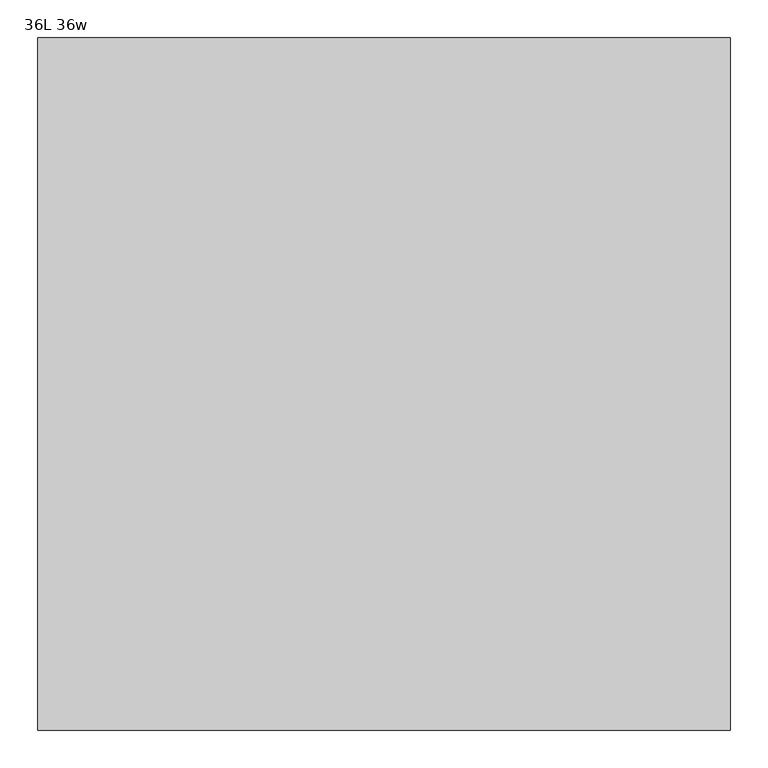
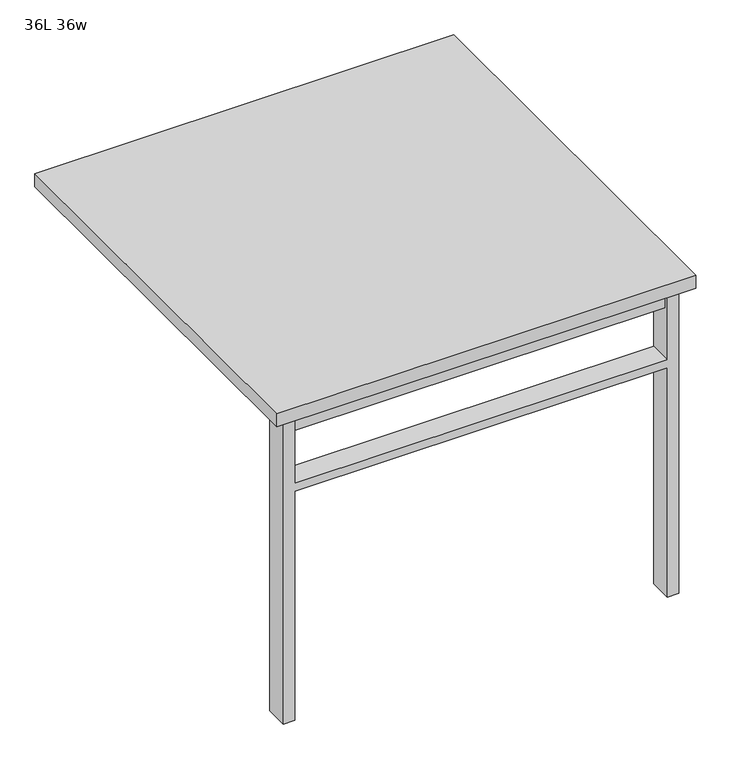
"""IFC4 building model written with IfcOpenShell, lengths in millimetres: furniture geometry, 36L 36w."""

from ifc_helpers import new_model, si_unit, frame, origin, place, context, project, spatial, polyline, outline, extrude, source, transform, mapped, element, save


def furniture_36l_36w_5a3484d5(model_context):
    return source(origin(), model_context, "Body", "SweptSolid", [
        extrude(outline(polyline([(-406.4, -396.875), (406.4, -396.875), (406.4, -428.625), (-406.4, -428.625), (-406.4, -396.875)])), frame((0.0, 0.0, 661.9875), z_axis=(0.0, 0.0, 1.0), x_axis=(1.0, 0.0, 0.0)), (0.0, 0.0, 1.0), 44.45),
        extrude(outline(polyline([(528.6375, 406.4), (0.0, 406.4), (0.0, 431.8), (706.4375, 431.8), (706.4375, 406.4), (547.6875, 406.4), (547.6875, -406.4), (706.4375, -406.4), (706.4375, -431.8), (0.0, -431.8), (0.0, -406.4), (528.6375, -406.4), (528.6375, 406.4)])), frame((0.0, -438.15, 0.0), z_axis=(0.0, 1.0, 0.0), x_axis=(0.0, 0.0, 1.0)), (0.0, 0.0, 1.0), 50.8),
        extrude(outline(polyline([(-457.2, -457.2), (-457.2, 457.2), (457.2, 457.2), (457.2, -457.2), (-457.2, -457.2)])), frame((0.0, 0.0, 706.4375), z_axis=(0.0, 0.0, 1.0), x_axis=(1.0, 0.0, 0.0)), (0.0, 0.0, 1.0), 30.1625),
    ])


if __name__ == "__main__":
    model = new_model("IFC4")
    model_context = context("Model", 3, world=origin())
    ifc_project = project(units=[si_unit("LENGTHUNIT", "METRE", prefix="MILLI")], contexts=[model_context])
    site = spatial("IfcSite", under=ifc_project)
    building = spatial("IfcBuilding", under=site)
    placement = place(None, origin())
    furniture_36l_36w_shape = furniture_36l_36w_5a3484d5(model_context)
    element("IfcFurniture", 1, ObjectType="36L 36w", at=placement, inside=building, context=model_context, shape_type="MappedRepresentation", body=[
        mapped(furniture_36l_36w_shape, transform((0.0, 0.0, 0.0), x_axis=(1.0, 0.0, 0.0), y_axis=(0.0, 1.0, 0.0), z_axis=(0.0, 0.0, 1.0))),
    ])
    save(model, "model.ifc")
